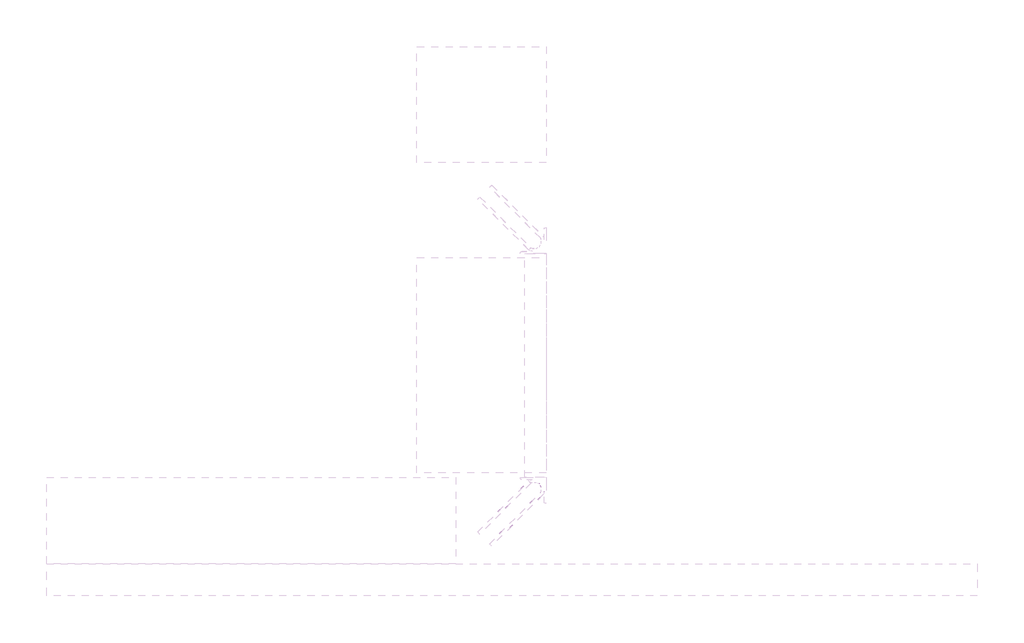
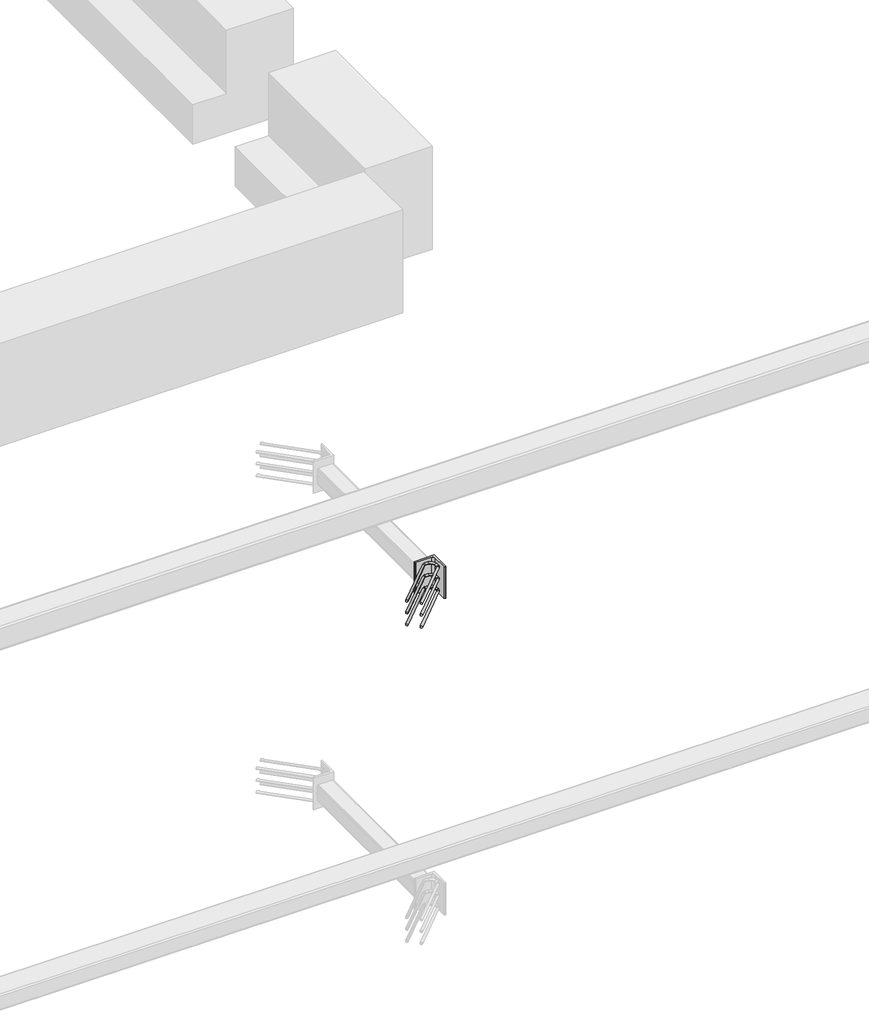
# One storey, part 24 of 65: 1 fastener.
"""IFC4 building model written with IfcOpenShell, lengths in millimetres."""

from ifc_helpers import new_model, si_unit, point, frame, frame_2d, origin, place, context, project, spatial, polyline, circle_curve, ellipse_curve, trimmed, segment, composite_curve, outline, extrude, element, save
from ifc_brep_helpers import plane_surface, cylinder_surface, revolved_surface, advanced_brep

model = new_model("IFC4")

# Units and contexts
model_context = context("Model", 3, world=origin())
ifc_project = project(units=[si_unit("LENGTHUNIT", "METRE", prefix="MILLI")], contexts=[model_context])

# Site, building, storey
site = spatial("IfcSite", under=ifc_project)
building = spatial("IfcBuilding", under=site)
storey = spatial("IfcBuildingStorey", under=building, Elevation=0.0)

# Fastener
placement = place(None, origin())
element("IfcFastener", 1, at=placement, inside=storey, context=model_context, shape_type="SolidModel", body=[
    advanced_brep(
    [(53097.4623741, 9882.5628791, 3975.0), (53087.5628791, 9892.4623741, 3975.0), (53032.5628791, 9947.4623741, 3975.0), (53042.4623741, 9937.5628791, 3975.0), (53303.0, 10176.0, 3975.0), (53303.0, 10190.0, 3975.0), (53284.2132034, 10190.0, 3975.0), (53284.2132034, 10176.0, 3975.0), (53326.0, 10153.0, 3975.0), (53340.0, 10153.0, 3975.0), (53326.0, 10134.2132034, 3975.0), (53340.0, 10134.2132034, 3975.0), (53333.5563492, 10118.6568542, 3975.0), (53323.6568543, 10128.5563492, 3975.0), (53278.5563492, 10173.6568542, 3975.0), (53268.6568543, 10183.5563492, 3975.0)],
    [
        (0, 1, circle_curve(frame((53092.5126266, 9887.5126266, 3975.0), z_axis=(-0.7071067811865505, -0.7071067811865446, 0.0), x_axis=(-0.7071067811865447, 0.7071067811865506, 0.0)), 7.0)),
        (1, 0, circle_curve(frame((53092.5126266, 9887.5126266, 3975.0), z_axis=(-0.7071067811865505, -0.7071067811865446, 0.0), x_axis=(-0.7071067811865447, 0.7071067811865506, 0.0)), 7.0)),
        (2, 3, circle_curve(frame((53037.5126266, 9942.5126266, 3975.0), z_axis=(-0.7071067811865503, -0.7071067811865447, 0.0), x_axis=(0.7071067811865447, -0.7071067811865503, 0.0)), 7.0)),
        (3, 2, circle_curve(frame((53037.5126266, 9942.5126266, 3975.0), z_axis=(-0.7071067811865503, -0.7071067811865447, 0.0), x_axis=(0.7071067811865447, -0.7071067811865503, 0.0)), 7.0)),
        (4, 5, circle_curve(frame((53303.0, 10183.0, 3975.0), z_axis=(-1.0, 0.0, 0.0), x_axis=(0.0, -1.0, 0.0)), 7.0)),
        (5, 6),
        (6, 7, circle_curve(frame((53284.2132034, 10183.0, 3975.0), z_axis=(1.0, 0.0, 0.0), x_axis=(0.0, -1.0, 0.0)), 7.0)),
        (7, 4),
        (5, 4, circle_curve(frame((53303.0, 10183.0, 3975.0), z_axis=(-1.0, 0.0, 0.0), x_axis=(0.0, -1.0, 0.0)), 7.0)),
        (7, 6, circle_curve(frame((53284.2132034, 10183.0, 3975.0), z_axis=(1.0, 0.0, 0.0), x_axis=(0.0, -1.0, 0.0)), 7.0)),
        (4, 8, circle_curve(frame((53303.0, 10153.0, 3975.0), z_axis=(0.0, 0.0, -1.0), x_axis=(1.0, 0.0, 0.0)), 23.0)),
        (8, 9, circle_curve(frame((53333.0, 10153.0, 3975.0), z_axis=(0.0, 1.0, 0.0), x_axis=(-1.0, 0.0, 0.0)), 7.0)),
        (9, 5, circle_curve(frame((53303.0, 10153.0, 3975.0), z_axis=(0.0, 0.0, 1.0), x_axis=(1.0, 0.0, 0.0)), 37.0)),
        (9, 8, circle_curve(frame((53333.0, 10153.0, 3975.0), z_axis=(0.0, 1.0, 0.0), x_axis=(-1.0, 0.0, 0.0)), 7.0)),
        (10, 11, circle_curve(frame((53333.0, 10134.2132034, 3975.0), z_axis=(0.0, 1.0, 0.0), x_axis=(-1.0, 0.0, 0.0)), 7.0)),
        (11, 9),
        (8, 10),
        (11, 10, circle_curve(frame((53333.0, 10134.2132034, 3975.0), z_axis=(0.0, 1.0, 0.0), x_axis=(-1.0, 0.0, 0.0)), 7.0)),
        (0, 12),
        (12, 13, circle_curve(frame((53328.6066017, 10123.6066017, 3975.0), z_axis=(-0.7071067811865505, -0.7071067811865446, 0.0), x_axis=(-0.7071067811865447, 0.7071067811865506, 0.0)), 7.0)),
        (13, 1),
        (13, 12, circle_curve(frame((53328.6066017, 10123.6066017, 3975.0), z_axis=(-0.7071067811865505, -0.7071067811865446, 0.0), x_axis=(-0.7071067811865447, 0.7071067811865506, 0.0)), 7.0)),
        (10, 13, circle_curve(frame((53318.0, 10134.2132034, 3975.0), z_axis=(0.0, 0.0, -1.0), x_axis=(0.7071067811865445, -0.7071067811865506, 0.0)), 8.0)),
        (12, 11, circle_curve(frame((53318.0, 10134.2132034, 3975.0), z_axis=(0.0, 0.0, 1.0), x_axis=(0.7071067811865445, -0.7071067811865506, 0.0)), 22.0)),
        (14, 7, circle_curve(frame((53284.2132034, 10168.0, 3975.0), z_axis=(0.0, 0.0, -1.0), x_axis=(0.0, 1.0, 0.0)), 8.0)),
        (6, 15, circle_curve(frame((53284.2132034, 10168.0, 3975.0), z_axis=(0.0, 0.0, 1.0), x_axis=(0.0, 1.0, 0.0)), 22.0)),
        (15, 14, circle_curve(frame((53273.6066017, 10178.6066017, 3975.0), z_axis=(0.7071067811865501, 0.7071067811865449, 0.0), x_axis=(0.7071067811865449, -0.7071067811865501, 0.0)), 7.0)),
        (14, 15, circle_curve(frame((53273.6066017, 10178.6066017, 3975.0), z_axis=(0.7071067811865496, 0.7071067811865455, 0.0), x_axis=(0.7071067811865455, -0.7071067811865496, 0.0)), 7.0)),
        (15, 2),
        (3, 14),
    ],
    [
        plane_surface(frame((53092.5126266, 9887.5126266, 3975.0), z_axis=(-0.7071067811865505, -0.7071067811865446, 0.0), x_axis=(0.0, 0.0, 1.0))),
        plane_surface(frame((53037.5126266, 9942.5126266, 3975.0), z_axis=(-0.7071067811865503, -0.7071067811865447, 0.0), x_axis=(0.0, 0.0, 1.0))),
        cylinder_surface(frame((53303.0, 10183.0, 3975.0), z_axis=(1.0, 0.0, 0.0), x_axis=(0.0, -1.0, 0.0)), 7.0),
        revolved_surface(trimmed(ellipse_curve(frame((53333.0, 10153.0, 3975.0), z_axis=(0.0, -1.0, 0.0), x_axis=(-1.0, 0.0, 0.0)), 7.0, 7.0), [point((53340.0, 10153.0, 3975.0))], [point((53326.0, 10153.0, 3975.0))], True, "CARTESIAN"), (53303.0, 10153.0, 3975.0), (0.0, 0.0, 1.0)),
        revolved_surface(trimmed(ellipse_curve(frame((53333.0, 10153.0, 3975.0), z_axis=(0.0, -1.0, 0.0), x_axis=(-1.0, 0.0, 0.0)), 7.0, 7.0), [point((53326.0, 10153.0, 3975.0))], [point((53340.0, 10153.0, 3975.0))], True, "CARTESIAN"), (53303.0, 10153.0, 3975.0), (0.0, 0.0, 1.0)),
        cylinder_surface(frame((53333.0, 10134.2132034, 3975.0), z_axis=(0.0, -1.0, 0.0), x_axis=(-1.0, 0.0, 0.0)), 7.0),
        cylinder_surface(frame((53092.5126266, 9887.5126266, 3975.0), z_axis=(-0.7071067811865506, -0.7071067811865447, 0.0), x_axis=(-0.7071067811865447, 0.7071067811865506, 0.0)), 7.0),
        revolved_surface(trimmed(ellipse_curve(frame((53328.6066017, 10123.6066017, 3975.0), z_axis=(-0.7071067811865506, -0.7071067811865445, 0.0), x_axis=(-0.7071067811865445, 0.7071067811865506, 0.0)), 7.0, 7.0), [point((53333.5563492, 10118.6568542, 3975.0))], [point((53323.6568543, 10128.5563492, 3975.0))], True, "CARTESIAN"), (53318.0, 10134.2132034, 3975.0), (0.0, 0.0, 1.0)),
        revolved_surface(trimmed(ellipse_curve(frame((53328.6066017, 10123.6066017, 3975.0), z_axis=(-0.7071067811865506, -0.7071067811865445, 0.0), x_axis=(-0.7071067811865445, 0.7071067811865506, 0.0)), 7.0, 7.0), [point((53323.6568543, 10128.5563492, 3975.0))], [point((53333.5563492, 10118.6568542, 3975.0))], True, "CARTESIAN"), (53318.0, 10134.2132034, 3975.0), (0.0, 0.0, 1.0)),
        revolved_surface(trimmed(ellipse_curve(frame((53284.2132034, 10183.0, 3975.0), z_axis=(1.0, 0.0, 0.0), x_axis=(0.0, -1.0, 0.0)), 7.0, 7.0), [point((53284.2132034, 10190.0, 3975.0))], [point((53284.2132034, 10176.0, 3975.0))], True, "CARTESIAN"), (53284.2132034, 10168.0, 3975.0), (0.0, 0.0, 1.0)),
        revolved_surface(trimmed(ellipse_curve(frame((53284.2132034, 10183.0, 3975.0), z_axis=(1.0, 0.0, 0.0), x_axis=(0.0, -1.0, 0.0)), 7.0, 7.0), [point((53284.2132034, 10176.0, 3975.0))], [point((53284.2132034, 10190.0, 3975.0))], True, "CARTESIAN"), (53284.2132034, 10168.0, 3975.0), (0.0, 0.0, 1.0)),
        cylinder_surface(frame((53273.6066017, 10178.6066017, 3975.0), z_axis=(0.7071067811865503, 0.7071067811865447, 0.0), x_axis=(0.7071067811865447, -0.7071067811865503, 0.0)), 7.0),
    ],
    [
        (0, [[1, 2]]),
        (1, [[3, 4]]),
        (2, [[5, 6, 7, 8]]),
        (2, [[9, -8, 10, -6]]),
        (3, [[11, 12, 13, -5]]),
        (4, [[-13, 14, -11, -9]]),
        (5, [[15, 16, -12, 17]]),
        (5, [[18, -17, -14, -16]]),
        (6, [[-1, 19, 20, 21]]),
        (6, [[-2, -21, 22, -19]]),
        (7, [[23, -20, 24, -15]]),
        (8, [[-24, -22, -23, -18]]),
        (9, [[25, -7, 26, 27]]),
        (10, [[-26, -10, -25, 28]]),
        (11, [[-27, 29, -4, 30]]),
        (11, [[-28, -30, -3, -29]]),
    ],
),
    advanced_brep(
    [(53087.5628791, 9892.4623741, 4125.0), (53097.4623741, 9882.5628791, 4125.0), (53042.4623741, 9937.5628791, 4125.0), (53032.5628791, 9947.4623741, 4125.0), (53303.0, 10190.0, 4125.0), (53303.0, 10176.0, 4125.0), (53284.2132034, 10176.0, 4125.0), (53284.2132034, 10190.0, 4125.0), (53340.0, 10153.0, 4125.0), (53326.0, 10153.0, 4125.0), (53340.0, 10134.2132034, 4125.0), (53326.0, 10134.2132034, 4125.0), (53323.6568543, 10128.5563492, 4125.0), (53333.5563492, 10118.6568542, 4125.0), (53268.6568543, 10183.5563492, 4125.0), (53278.5563492, 10173.6568542, 4125.0)],
    [
        (0, 1, circle_curve(frame((53092.5126266, 9887.5126266, 4125.0), z_axis=(-0.7071067811865505, -0.7071067811865446, 0.0), x_axis=(0.7071067811865447, -0.7071067811865506, 0.0)), 7.0)),
        (1, 0, circle_curve(frame((53092.5126266, 9887.5126266, 4125.0), z_axis=(-0.7071067811865505, -0.7071067811865446, 0.0), x_axis=(0.7071067811865447, -0.7071067811865506, 0.0)), 7.0)),
        (2, 3, circle_curve(frame((53037.5126266, 9942.5126266, 4125.0), z_axis=(-0.7071067811865505, -0.7071067811865447, 0.0), x_axis=(-0.7071067811865447, 0.7071067811865505, 0.0)), 7.0)),
        (3, 2, circle_curve(frame((53037.5126266, 9942.5126266, 4125.0), z_axis=(-0.7071067811865505, -0.7071067811865447, 0.0), x_axis=(-0.7071067811865447, 0.7071067811865505, 0.0)), 7.0)),
        (4, 5, circle_curve(frame((53303.0, 10183.0, 4125.0), z_axis=(-1.0, 0.0, 0.0), x_axis=(0.0, 1.0, 0.0)), 7.0)),
        (5, 6),
        (6, 7, circle_curve(frame((53284.2132034, 10183.0, 4125.0), z_axis=(1.0, 0.0, 0.0), x_axis=(0.0, 1.0, 0.0)), 7.0)),
        (7, 4),
        (5, 4, circle_curve(frame((53303.0, 10183.0, 4125.0), z_axis=(-1.0, 0.0, 0.0), x_axis=(0.0, 1.0, 0.0)), 7.0)),
        (7, 6, circle_curve(frame((53284.2132034, 10183.0, 4125.0), z_axis=(1.0, 0.0, 0.0), x_axis=(0.0, 1.0, 0.0)), 7.0)),
        (4, 8, circle_curve(frame((53303.0, 10153.0, 4125.0), z_axis=(0.0, 0.0, -1.0), x_axis=(1.0, 0.0, 0.0)), 37.0)),
        (8, 9, circle_curve(frame((53333.0, 10153.0, 4125.0), z_axis=(0.0, 1.0, 0.0), x_axis=(1.0, 0.0, 0.0)), 7.0)),
        (9, 5, circle_curve(frame((53303.0, 10153.0, 4125.0), z_axis=(0.0, 0.0, 1.0), x_axis=(1.0, 0.0, 0.0)), 23.0)),
        (9, 8, circle_curve(frame((53333.0, 10153.0, 4125.0), z_axis=(0.0, 1.0, 0.0), x_axis=(1.0, 0.0, 0.0)), 7.0)),
        (10, 11, circle_curve(frame((53333.0, 10134.2132034, 4125.0), z_axis=(0.0, 1.0, 0.0), x_axis=(1.0, 0.0, 0.0)), 7.0)),
        (11, 9),
        (8, 10),
        (11, 10, circle_curve(frame((53333.0, 10134.2132034, 4125.0), z_axis=(0.0, 1.0, 0.0), x_axis=(1.0, 0.0, 0.0)), 7.0)),
        (0, 12),
        (12, 13, circle_curve(frame((53328.6066017, 10123.6066017, 4125.0), z_axis=(-0.7071067811865505, -0.7071067811865446, 0.0), x_axis=(0.7071067811865447, -0.7071067811865506, 0.0)), 7.0)),
        (13, 1),
        (13, 12, circle_curve(frame((53328.6066017, 10123.6066017, 4125.0), z_axis=(-0.7071067811865505, -0.7071067811865446, 0.0), x_axis=(0.7071067811865447, -0.7071067811865506, 0.0)), 7.0)),
        (10, 13, circle_curve(frame((53318.0, 10134.2132034, 4125.0), z_axis=(0.0, 0.0, -1.0), x_axis=(0.7071067811865445, -0.7071067811865506, 0.0)), 22.0)),
        (12, 11, circle_curve(frame((53318.0, 10134.2132034, 4125.0), z_axis=(0.0, 0.0, 1.0), x_axis=(0.7071067811865445, -0.7071067811865506, 0.0)), 8.0)),
        (14, 7, circle_curve(frame((53284.2132034, 10168.0, 4125.0), z_axis=(0.0, 0.0, -1.0), x_axis=(0.0, 1.0, 0.0)), 22.0)),
        (6, 15, circle_curve(frame((53284.2132034, 10168.0, 4125.0), z_axis=(0.0, 0.0, 1.0), x_axis=(0.0, 1.0, 0.0)), 8.0)),
        (15, 14, circle_curve(frame((53273.6066017, 10178.6066017, 4125.0), z_axis=(0.7071067811865488, 0.7071067811865462, 0.0), x_axis=(-0.7071067811865462, 0.7071067811865488, 0.0)), 7.0)),
        (14, 15, circle_curve(frame((53273.6066017, 10178.6066017, 4125.0), z_axis=(0.7071067811865496, 0.7071067811865455, 0.0), x_axis=(-0.7071067811865455, 0.7071067811865496, 0.0)), 7.0)),
        (15, 2),
        (3, 14),
    ],
    [
        plane_surface(frame((53092.5126266, 9887.5126266, 4125.0), z_axis=(-0.7071067811865505, -0.7071067811865446, 0.0), x_axis=(0.0, 0.0, -1.0))),
        plane_surface(frame((53037.5126266, 9942.5126266, 4125.0), z_axis=(-0.7071067811865505, -0.7071067811865447, 0.0), x_axis=(0.0, 0.0, -1.0))),
        cylinder_surface(frame((53303.0, 10183.0, 4125.0), z_axis=(1.0, 0.0, 0.0), x_axis=(0.0, 1.0, 0.0)), 7.0),
        revolved_surface(trimmed(ellipse_curve(frame((53333.0, 10153.0, 4125.0), z_axis=(0.0, -1.0, 0.0), x_axis=(1.0, 0.0, 0.0)), 7.0, 7.0), [point((53326.0, 10153.0, 4125.0))], [point((53340.0, 10153.0, 4125.0))], True, "CARTESIAN"), (53303.0, 10153.0, 4125.0), (0.0, 0.0, 1.0)),
        revolved_surface(trimmed(ellipse_curve(frame((53333.0, 10153.0, 4125.0), z_axis=(0.0, -1.0, 0.0), x_axis=(1.0, 0.0, 0.0)), 7.0, 7.0), [point((53340.0, 10153.0, 4125.0))], [point((53326.0, 10153.0, 4125.0))], True, "CARTESIAN"), (53303.0, 10153.0, 4125.0), (0.0, 0.0, 1.0)),
        cylinder_surface(frame((53333.0, 10134.2132034, 4125.0), z_axis=(0.0, -1.0, 0.0), x_axis=(1.0, 0.0, 0.0)), 7.0),
        cylinder_surface(frame((53092.5126266, 9887.5126266, 4125.0), z_axis=(-0.7071067811865506, -0.7071067811865447, 0.0), x_axis=(0.7071067811865447, -0.7071067811865506, 0.0)), 7.0),
        revolved_surface(trimmed(ellipse_curve(frame((53328.6066017, 10123.6066017, 4125.0), z_axis=(-0.7071067811865506, -0.7071067811865445, 0.0), x_axis=(0.7071067811865445, -0.7071067811865506, 0.0)), 7.0, 7.0), [point((53323.6568543, 10128.5563492, 4125.0))], [point((53333.5563492, 10118.6568542, 4125.0))], True, "CARTESIAN"), (53318.0, 10134.2132034, 4125.0), (0.0, 0.0, 1.0)),
        revolved_surface(trimmed(ellipse_curve(frame((53328.6066017, 10123.6066017, 4125.0), z_axis=(-0.7071067811865506, -0.7071067811865445, 0.0), x_axis=(0.7071067811865445, -0.7071067811865506, 0.0)), 7.0, 7.0), [point((53333.5563492, 10118.6568542, 4125.0))], [point((53323.6568543, 10128.5563492, 4125.0))], True, "CARTESIAN"), (53318.0, 10134.2132034, 4125.0), (0.0, 0.0, 1.0)),
        revolved_surface(trimmed(ellipse_curve(frame((53284.2132034, 10183.0, 4125.0), z_axis=(1.0, 0.0, 0.0), x_axis=(0.0, 1.0, 0.0)), 7.0, 7.0), [point((53284.2132034, 10176.0, 4125.0))], [point((53284.2132034, 10190.0, 4125.0))], True, "CARTESIAN"), (53284.2132034, 10168.0, 4125.0), (0.0, 0.0, 1.0)),
        revolved_surface(trimmed(ellipse_curve(frame((53284.2132034, 10183.0, 4125.0), z_axis=(1.0, 0.0, 0.0), x_axis=(0.0, 1.0, 0.0)), 7.0, 7.0), [point((53284.2132034, 10190.0, 4125.0))], [point((53284.2132034, 10176.0, 4125.0))], True, "CARTESIAN"), (53284.2132034, 10168.0, 4125.0), (0.0, 0.0, 1.0)),
        cylinder_surface(frame((53273.6066017, 10178.6066017, 4125.0), z_axis=(0.7071067811865505, 0.7071067811865447, 0.0), x_axis=(-0.7071067811865447, 0.7071067811865505, 0.0)), 7.0),
    ],
    [
        (0, [[1, 2]]),
        (1, [[3, 4]]),
        (2, [[5, 6, 7, 8]]),
        (2, [[9, -8, 10, -6]]),
        (3, [[11, 12, 13, -5]]),
        (4, [[-13, 14, -11, -9]]),
        (5, [[15, 16, -12, 17]]),
        (5, [[18, -17, -14, -16]]),
        (6, [[-1, 19, 20, 21]]),
        (6, [[-2, -21, 22, -19]]),
        (7, [[23, -20, 24, -15]]),
        (8, [[-24, -22, -23, -18]]),
        (9, [[25, -7, 26, 27]]),
        (10, [[-26, -10, -25, 28]]),
        (11, [[-27, 29, -4, 30]]),
        (11, [[-28, -30, -3, -29]]),
    ],
),
    advanced_brep(
    [(53087.5628791, 9892.4623741, 4050.0), (53097.4623741, 9882.5628791, 4050.0), (53042.4623741, 9937.5628791, 4050.0), (53032.5628791, 9947.4623741, 4050.0), (53303.0, 10190.0, 4050.0), (53303.0, 10176.0, 4050.0), (53284.2132034, 10176.0, 4050.0), (53284.2132034, 10190.0, 4050.0), (53340.0, 10153.0, 4050.0), (53326.0, 10153.0, 4050.0), (53340.0, 10134.2132034, 4050.0), (53326.0, 10134.2132034, 4050.0), (53323.6568543, 10128.5563492, 4050.0), (53333.5563492, 10118.6568542, 4050.0), (53268.6568543, 10183.5563492, 4050.0), (53278.5563492, 10173.6568542, 4050.0)],
    [
        (0, 1, circle_curve(frame((53092.5126266, 9887.5126266, 4050.0), z_axis=(-0.7071067811865505, -0.7071067811865446, 0.0), x_axis=(0.7071067811865446, -0.7071067811865505, 0.0)), 7.0)),
        (1, 0, circle_curve(frame((53092.5126266, 9887.5126266, 4050.0), z_axis=(-0.7071067811865505, -0.7071067811865446, 0.0), x_axis=(0.7071067811865446, -0.7071067811865505, 0.0)), 7.0)),
        (2, 3, circle_curve(frame((53037.5126266, 9942.5126266, 4050.0), z_axis=(-0.7071067811865505, -0.7071067811865447, 0.0), x_axis=(-0.7071067811865447, 0.7071067811865505, 0.0)), 7.0)),
        (3, 2, circle_curve(frame((53037.5126266, 9942.5126266, 4050.0), z_axis=(-0.7071067811865505, -0.7071067811865447, 0.0), x_axis=(-0.7071067811865447, 0.7071067811865505, 0.0)), 7.0)),
        (4, 5, circle_curve(frame((53303.0, 10183.0, 4050.0), z_axis=(-1.0, 0.0, 0.0), x_axis=(0.0, 1.0, 0.0)), 7.0)),
        (5, 6),
        (6, 7, circle_curve(frame((53284.2132034, 10183.0, 4050.0), z_axis=(1.0, 0.0, 0.0), x_axis=(0.0, 1.0, 0.0)), 7.0)),
        (7, 4),
        (5, 4, circle_curve(frame((53303.0, 10183.0, 4050.0), z_axis=(-1.0, 0.0, 0.0), x_axis=(0.0, 1.0, 0.0)), 7.0)),
        (7, 6, circle_curve(frame((53284.2132034, 10183.0, 4050.0), z_axis=(1.0, 0.0, 0.0), x_axis=(0.0, 1.0, 0.0)), 7.0)),
        (4, 8, circle_curve(frame((53303.0, 10153.0, 4050.0), z_axis=(0.0, 0.0, -1.0), x_axis=(1.0, 0.0, 0.0)), 37.0)),
        (8, 9, circle_curve(frame((53333.0, 10153.0, 4050.0), z_axis=(0.0, 1.0, 0.0), x_axis=(1.0, 0.0, 0.0)), 7.0)),
        (9, 5, circle_curve(frame((53303.0, 10153.0, 4050.0), z_axis=(0.0, 0.0, 1.0), x_axis=(1.0, 0.0, 0.0)), 23.0)),
        (9, 8, circle_curve(frame((53333.0, 10153.0, 4050.0), z_axis=(0.0, 1.0, 0.0), x_axis=(1.0, 0.0, 0.0)), 7.0)),
        (10, 11, circle_curve(frame((53333.0, 10134.2132034, 4050.0), z_axis=(0.0, 1.0, 0.0), x_axis=(1.0, 0.0, 0.0)), 7.0)),
        (11, 9),
        (8, 10),
        (11, 10, circle_curve(frame((53333.0, 10134.2132034, 4050.0), z_axis=(0.0, 1.0, 0.0), x_axis=(1.0, 0.0, 0.0)), 7.0)),
        (0, 12),
        (12, 13, circle_curve(frame((53328.6066017, 10123.6066017, 4050.0), z_axis=(-0.7071067811865505, -0.7071067811865446, 0.0), x_axis=(0.7071067811865446, -0.7071067811865505, 0.0)), 7.0)),
        (13, 1),
        (13, 12, circle_curve(frame((53328.6066017, 10123.6066017, 4050.0), z_axis=(-0.7071067811865505, -0.7071067811865446, 0.0), x_axis=(0.7071067811865446, -0.7071067811865505, 0.0)), 7.0)),
        (10, 13, circle_curve(frame((53318.0, 10134.2132034, 4050.0), z_axis=(0.0, 0.0, -1.0), x_axis=(0.7071067811865445, -0.7071067811865506, 0.0)), 22.0)),
        (12, 11, circle_curve(frame((53318.0, 10134.2132034, 4050.0), z_axis=(0.0, 0.0, 1.0), x_axis=(0.7071067811865445, -0.7071067811865506, 0.0)), 8.0)),
        (14, 7, circle_curve(frame((53284.2132034, 10168.0, 4050.0), z_axis=(0.0, 0.0, -1.0), x_axis=(0.0, 1.0, 0.0)), 22.0)),
        (6, 15, circle_curve(frame((53284.2132034, 10168.0, 4050.0), z_axis=(0.0, 0.0, 1.0), x_axis=(0.0, 1.0, 0.0)), 8.0)),
        (15, 14, circle_curve(frame((53273.6066017, 10178.6066017, 4050.0), z_axis=(0.7071067811865502, 0.7071067811865448, 0.0), x_axis=(-0.7071067811865448, 0.7071067811865502, 0.0)), 7.0)),
        (14, 15, circle_curve(frame((53273.6066017, 10178.6066017, 4050.0), z_axis=(0.7071067811865501, 0.7071067811865449, 0.0), x_axis=(-0.7071067811865449, 0.7071067811865501, 0.0)), 7.0)),
        (15, 2),
        (3, 14),
    ],
    [
        plane_surface(frame((53092.5126266, 9887.5126266, 4050.0), z_axis=(-0.7071067811865505, -0.7071067811865446, 0.0), x_axis=(0.0, 0.0, -1.0))),
        plane_surface(frame((53037.5126266, 9942.5126266, 4050.0), z_axis=(-0.7071067811865503, -0.7071067811865448, 0.0), x_axis=(0.0, 0.0, -1.0))),
        cylinder_surface(frame((53303.0, 10183.0, 4050.0), z_axis=(1.0, 0.0, 0.0), x_axis=(0.0, 1.0, 0.0)), 7.0),
        revolved_surface(trimmed(ellipse_curve(frame((53333.0, 10153.0, 4050.0), z_axis=(0.0, -1.0, 0.0), x_axis=(1.0, 0.0, 0.0)), 7.0, 7.0), [point((53326.0, 10153.0, 4050.0))], [point((53340.0, 10153.0, 4050.0))], True, "CARTESIAN"), (53303.0, 10153.0, 4050.0), (0.0, 0.0, 1.0)),
        revolved_surface(trimmed(ellipse_curve(frame((53333.0, 10153.0, 4050.0), z_axis=(0.0, -1.0, 0.0), x_axis=(1.0, 0.0, 0.0)), 7.0, 7.0), [point((53340.0, 10153.0, 4050.0))], [point((53326.0, 10153.0, 4050.0))], True, "CARTESIAN"), (53303.0, 10153.0, 4050.0), (0.0, 0.0, 1.0)),
        cylinder_surface(frame((53333.0, 10134.2132034, 4050.0), z_axis=(0.0, -1.0, 0.0), x_axis=(1.0, 0.0, 0.0)), 7.0),
        cylinder_surface(frame((53092.5126266, 9887.5126266, 4050.0), z_axis=(-0.7071067811865505, -0.7071067811865446, 0.0), x_axis=(0.7071067811865446, -0.7071067811865505, 0.0)), 7.0),
        revolved_surface(trimmed(ellipse_curve(frame((53328.6066017, 10123.6066017, 4050.0), z_axis=(-0.7071067811865507, -0.7071067811865444, 0.0), x_axis=(0.7071067811865444, -0.7071067811865507, 0.0)), 7.0, 7.0), [point((53323.6568543, 10128.5563492, 4050.0))], [point((53333.5563492, 10118.6568542, 4050.0))], True, "CARTESIAN"), (53318.0, 10134.2132034, 4050.0), (0.0, 0.0, 1.0)),
        revolved_surface(trimmed(ellipse_curve(frame((53328.6066017, 10123.6066017, 4050.0), z_axis=(-0.7071067811865507, -0.7071067811865444, 0.0), x_axis=(0.7071067811865444, -0.7071067811865507, 0.0)), 7.0, 7.0), [point((53333.5563492, 10118.6568542, 4050.0))], [point((53323.6568543, 10128.5563492, 4050.0))], True, "CARTESIAN"), (53318.0, 10134.2132034, 4050.0), (0.0, 0.0, 1.0)),
        revolved_surface(trimmed(ellipse_curve(frame((53284.2132034, 10183.0, 4050.0), z_axis=(1.0, 0.0, 0.0), x_axis=(0.0, 1.0, 0.0)), 7.0, 7.0), [point((53284.2132034, 10176.0, 4050.0))], [point((53284.2132034, 10190.0, 4050.0))], True, "CARTESIAN"), (53284.2132034, 10168.0, 4050.0), (0.0, 0.0, 1.0)),
        revolved_surface(trimmed(ellipse_curve(frame((53284.2132034, 10183.0, 4050.0), z_axis=(1.0, 0.0, 0.0), x_axis=(0.0, 1.0, 0.0)), 7.0, 7.0), [point((53284.2132034, 10190.0, 4050.0))], [point((53284.2132034, 10176.0, 4050.0))], True, "CARTESIAN"), (53284.2132034, 10168.0, 4050.0), (0.0, 0.0, 1.0)),
        cylinder_surface(frame((53273.6066017, 10178.6066017, 4050.0), z_axis=(0.7071067811865505, 0.7071067811865447, 0.0), x_axis=(-0.7071067811865447, 0.7071067811865505, 0.0)), 7.0),
    ],
    [
        (0, [[1, 2]]),
        (1, [[3, 4]]),
        (2, [[5, 6, 7, 8]]),
        (2, [[9, -8, 10, -6]]),
        (3, [[11, 12, 13, -5]]),
        (4, [[-13, 14, -11, -9]]),
        (5, [[15, 16, -12, 17]]),
        (5, [[18, -17, -14, -16]]),
        (6, [[-1, 19, 20, 21]]),
        (6, [[-2, -21, 22, -19]]),
        (7, [[23, -20, 24, -15]]),
        (8, [[-24, -22, -23, -18]]),
        (9, [[25, -7, 26, 27]]),
        (10, [[-26, -10, -25, 28]]),
        (11, [[-27, 29, -4, 30]]),
        (11, [[-28, -30, -3, -29]]),
    ],
),
    extrude(outline(composite_curve([segment(polyline([(53350.0, 10200.0), (53350.0, 10080.0), (53346.5, 10080.0)]), True, "CONTINUOUS"), segment(trimmed(circle_curve(frame_2d((53346.5, 10086.5)), 6.5), [point((53346.5, 10080.0))], [point((53340.0, 10086.5))], False, "CARTESIAN"), True, "CONTINUOUS"), segment(polyline([(53340.0, 10086.5), (53340.0, 10177.0)]), True, "CONTINUOUS"), segment(trimmed(circle_curve(frame_2d((53327.0, 10177.0)), 13.0), [point((53340.0, 10177.0))], [point((53327.0, 10190.0))], True, "CARTESIAN"), True, "CONTINUOUS"), segment(polyline([(53327.0, 10190.0), (53236.5, 10190.0)]), True, "CONTINUOUS"), segment(trimmed(circle_curve(frame_2d((53236.5, 10196.5)), 6.5), [point((53236.5, 10190.0))], [point((53230.0, 10196.5))], False, "CARTESIAN"), True, "CONTINUOUS"), segment(polyline([(53230.0, 10196.5), (53230.0, 10200.0), (53350.0, 10200.0)]), True, "CONTINUOUS")], self_intersect=False)), frame((0.0, 0.0, 3950.0), z_axis=(0.0, 0.0, 1.0), x_axis=(1.0, 0.0, 0.0)), (0.0, 0.0, 1.0), 200.0),
])

save(model, "model.ifc")
